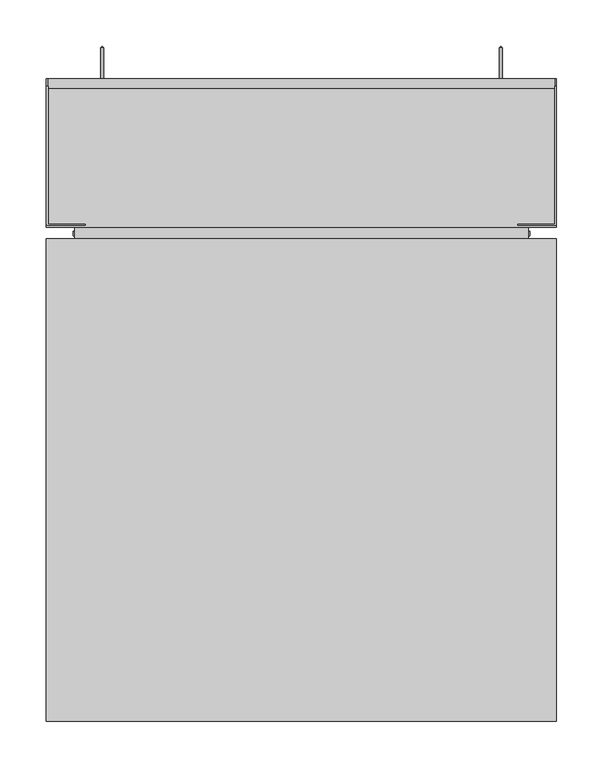
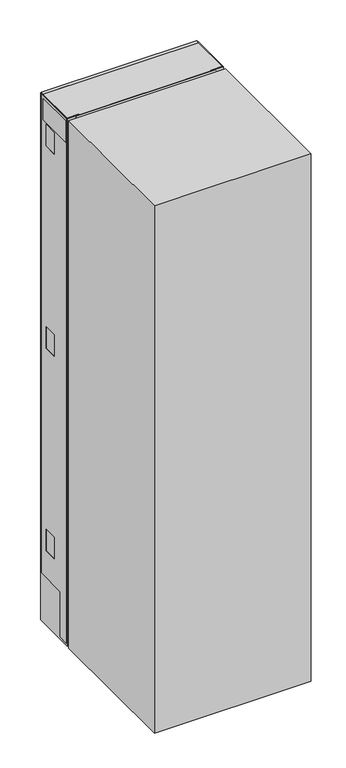
"""IFC4 building model written with IfcOpenShell, lengths in millimetres: proxy geometry."""

import ifcopenshell
import ifcopenshell.guid

model = None  # the IFC model being written
_history = None  # IfcOwnerHistory: only IFC2X3 demands one
_inside = {}  # id of a spatial element -> (the spatial element, [elements in it])
_under = {}  # id of a project, library or spatial element -> (it, [spatial elements below it])
_declared = {}  # id of a project -> (the project, [libraries it declares])
_typed = {}  # id of a type object -> (the type object, [elements of that type])
_made_of = {}  # id of a material, layer set ... -> (it, [elements and type objects made of it])


def new_model(schema):
    """Start an empty IFC model of exactly this schema.

    Asked for "IFC4X3", IfcOpenShell would pick the latest addendum, in which some entities
    have other attributes; the version numbers below select the first issue.
    IFC2X3 requires an IfcOwnerHistory on every rooted entity: one is made here for all.
    """
    global model, _history
    if schema == "IFC4X3":
        model = ifcopenshell.file(schema_version=(4, 3, 0, 0))
    else:
        model = ifcopenshell.file(schema=schema)
    _inside.clear()
    _under.clear()
    _declared.clear()
    _typed.clear()
    _made_of.clear()
    _history = None
    if model.schema == "IFC2X3":
        org = make("IfcOrganization", Name="unknown")
        user = make(
            "IfcPersonAndOrganization",
            ThePerson=make("IfcPerson", FamilyName="unknown"),
            TheOrganization=org,
        )
        app = make(
            "IfcApplication",
            ApplicationDeveloper=org,
            Version="unknown",
            ApplicationFullName="unknown",
            ApplicationIdentifier="unknown",
        )
        _history = make(
            "IfcOwnerHistory",
            OwningUser=user,
            OwningApplication=app,
            ChangeAction="ADDED",
            CreationDate=0,
        )
    return model


def make(cls, **values):
    """One entity of the class cls with the attributes given. An attribute that is None is left unset."""
    return model.create_entity(
        cls, **{name: value for name, value in values.items() if value is not None}
    )


def rooted(cls, **values):
    """An entity with a GlobalId (a new one), such as an element, a storey or a relation."""
    return make(cls, GlobalId=ifcopenshell.guid.new(), OwnerHistory=_history, **values)


def si_unit(unit_type, name, prefix=None):
    """IfcSIUnit, for example si_unit("LENGTHUNIT", "METRE", prefix="MILLI")."""
    return make("IfcSIUnit", UnitType=unit_type, Prefix=prefix, Name=name)


def assignment(units):
    """IfcUnitAssignment: the units of a project."""
    return None if units is None else make("IfcUnitAssignment", Units=units)


def point(xyz):
    """IfcCartesianPoint."""
    return None if xyz is None else make("IfcCartesianPoint", Coordinates=xyz)


def direction(xyz):
    """IfcDirection."""
    return None if xyz is None else make("IfcDirection", DirectionRatios=xyz)


def frame(location, z_axis=None, x_axis=None):
    """IfcAxis2Placement3D, a coordinate frame: its origin and axes. An axis left out is left unset."""
    return make(
        "IfcAxis2Placement3D",
        Location=point(location),
        Axis=direction(z_axis),
        RefDirection=direction(x_axis),
    )


def frame_2d(location, x_axis=None):
    """IfcAxis2Placement2D, a coordinate frame in the plane: its origin and x axis."""
    return make(
        "IfcAxis2Placement2D", Location=point(location), RefDirection=direction(x_axis)
    )


def origin():
    """The frame at (0, 0, 0) with its axes left unset."""
    return frame((0.0, 0.0, 0.0))


def origin_with_axes():
    """The frame at (0, 0, 0) with the z axis (0, 0, 1) and the x axis (1, 0, 0) written out."""
    return frame((0.0, 0.0, 0.0), z_axis=(0.0, 0.0, 1.0), x_axis=(1.0, 0.0, 0.0))


def place(relative_to, where):
    """IfcLocalPlacement: puts the frame where relative to a parent placement (None: the world)."""
    return make(
        "IfcLocalPlacement", PlacementRelTo=relative_to, RelativePlacement=where
    )


def context(
    kind, dimensions, precision=None, world=None, true_north=None, identifier=None
):
    """IfcGeometricRepresentationContext, for example the 3D "Model" context."""
    return make(
        "IfcGeometricRepresentationContext",
        ContextIdentifier=identifier,
        ContextType=kind,
        CoordinateSpaceDimension=dimensions,
        Precision=precision,
        WorldCoordinateSystem=world,
        TrueNorth=true_north,
    )


def project(units=None, contexts=None):
    """IfcProject with its units and contexts."""
    return rooted(
        "IfcProject",
        Name="project",
        RepresentationContexts=contexts,
        UnitsInContext=assignment(units),
    )


def spatial(cls, under=None, at=None, **own):
    """A site, building, storey or space (cls), placed at a placement, below another one or the project."""
    s = rooted(cls, ObjectPlacement=at, **own)
    if under is not None:
        _under.setdefault(under.id(), (under, []))[1].append(s)
    return s


def polyline(points):
    """IfcPolyline through the points."""
    return make("IfcPolyline", Points=[point(p) for p in points])


def circle_curve(where, radius):
    """IfcCircle in the frame where."""
    return make("IfcCircle", Position=where, Radius=radius)


def trimmed(basis, trim1, trim2, sense, master):
    """IfcTrimmedCurve: the piece of a basis curve between two trims."""
    return make(
        "IfcTrimmedCurve",
        BasisCurve=basis,
        Trim1=trim1,
        Trim2=trim2,
        SenseAgreement=sense,
        MasterRepresentation=master,
    )


def segment(curve, same_sense, transition):
    """IfcCompositeCurveSegment."""
    return make(
        "IfcCompositeCurveSegment",
        Transition=transition,
        SameSense=same_sense,
        ParentCurve=curve,
    )


def composite_curve(segments, self_intersect=None):
    """IfcCompositeCurve: segments joined end to end."""
    return make("IfcCompositeCurve", Segments=segments, SelfIntersect=self_intersect)


def outline(outer, holes=None, kind="AREA"):
    """IfcArbitraryClosedProfileDef: a profile drawn as a closed curve; with holes, ...WithVoids."""
    if holes is None:
        return make("IfcArbitraryClosedProfileDef", ProfileType=kind, OuterCurve=outer)
    return make(
        "IfcArbitraryProfileDefWithVoids",
        ProfileType=kind,
        OuterCurve=outer,
        InnerCurves=holes,
    )


def extrude(swept, where, along, depth):
    """IfcExtrudedAreaSolid: the profile swept, set in the frame where, extruded along a direction by depth."""
    return make(
        "IfcExtrudedAreaSolid",
        SweptArea=swept,
        Position=where,
        ExtrudedDirection=direction(along),
        Depth=depth,
    )


def faces_of(points, faces, orient=None, outer=None):
    """IfcFace entities. A face is a list of loops; a loop is a list of indices into points, from 0.

    orient and outer hold one flag for each loop. By default every Orientation is true, the
    first loop of a face is its IfcFaceOuterBound and the others are IfcFaceBound.
    """
    made = []
    for i, loops in enumerate(faces):
        bounds = []
        for j, loop in enumerate(loops):
            is_outer = j == 0 if outer is None else outer[i][j]
            bounds.append(
                make(
                    "IfcFaceOuterBound" if is_outer else "IfcFaceBound",
                    Bound=make("IfcPolyLoop", Polygon=[points[k] for k in loop]),
                    Orientation=True if orient is None else orient[i][j],
                )
            )
        made.append(make("IfcFace", Bounds=bounds))
    return made


def faceted_brep(points, faces, orient=None, outer=None, voids=None):
    """IfcFacetedBrep: a solid bounded by flat faces; with voids (closed shells), ...WithVoids."""
    shared = [point(p) for p in points]
    hull = make("IfcClosedShell", CfsFaces=faces_of(shared, faces, orient, outer))
    if voids is None:
        return make("IfcFacetedBrep", Outer=hull)
    return make(
        "IfcFacetedBrepWithVoids",
        Outer=hull,
        Voids=[
            make(cls, CfsFaces=faces_of(shared, fs, o, b)) for cls, fs, o, b in voids
        ],
    )


def shape(context_of_items, identifier, shape_type, items):
    """IfcShapeRepresentation: the items that make up one representation, for example the "Body"."""
    return make(
        "IfcShapeRepresentation",
        ContextOfItems=context_of_items,
        RepresentationIdentifier=identifier,
        RepresentationType=shape_type,
        Items=items,
    )


def source(mapping_origin, context_of_items, identifier, shape_type, items):
    """IfcRepresentationMap: a shape defined once, which mapped items show again and again."""
    return make(
        "IfcRepresentationMap",
        MappingOrigin=mapping_origin,
        MappedRepresentation=shape(context_of_items, identifier, shape_type, items),
    )


def transform(
    local_origin,
    x_axis=None,
    y_axis=None,
    z_axis=None,
    scale=None,
    scale2=None,
    scale3=None,
    uniform=True,
):
    """IfcCartesianTransformationOperator3D, or its non-uniform kind. x_axis, y_axis, z_axis: its Axis1, 2, 3."""
    if uniform:
        return make(
            "IfcCartesianTransformationOperator3D",
            Axis1=direction(x_axis),
            Axis2=direction(y_axis),
            LocalOrigin=point(local_origin),
            Scale=scale,
            Axis3=direction(z_axis),
        )
    return make(
        "IfcCartesianTransformationOperator3DnonUniform",
        Axis1=direction(x_axis),
        Axis2=direction(y_axis),
        LocalOrigin=point(local_origin),
        Scale=scale,
        Axis3=direction(z_axis),
        Scale2=scale2,
        Scale3=scale3,
    )


def mapped(mapping_source, mapping_target):
    """IfcMappedItem: shows the shape of a source again, moved by a transform."""
    return make(
        "IfcMappedItem", MappingSource=mapping_source, MappingTarget=mapping_target
    )


def made_of(thing, what):
    """Note that an element or type object is made of a material, layer set ...; save() writes the relation."""
    if what is not None:
        _made_of.setdefault(what.id(), (what, []))[1].append(thing)
    return thing


def element(
    cls,
    number,
    at=None,
    inside=None,
    cuts=None,
    type_object=None,
    material=None,
    context=None,
    identifier="Body",
    shape_type=None,
    held_by="IfcProductDefinitionShape",
    body=None,
    shapes=None,
    **own,
):
    """One element of the class cls, such as IfcWall. Its Tag is "e" and its number.

    at: its placement. inside: the storey or other place that contains it. cuts: it is an
    opening in that element (IfcRelVoidsElement). A single representation is given by context,
    identifier, shape_type and body (its items); several are given by shapes. held_by: the class
    of the entity that holds the representations. save() writes the other relations.
    """
    e = rooted(cls, Tag="e%d" % number, ObjectPlacement=at, **own)
    if body is not None:
        shapes = [shape(context, identifier, shape_type, body)]
    if shapes is not None:
        e.Representation = make(held_by, Representations=shapes)
    if inside is not None:
        _inside.setdefault(inside.id(), (inside, []))[1].append(e)
    if cuts is not None:
        rooted(
            "IfcRelVoidsElement", RelatingBuildingElement=cuts, RelatedOpeningElement=e
        )
    if type_object is not None:
        _typed.setdefault(type_object.id(), (type_object, []))[1].append(e)
    return made_of(e, material)


def aggregate(whole, parts):
    """IfcRelAggregates: a whole, such as a stair, and the parts it consists of."""
    return rooted("IfcRelAggregates", RelatingObject=whole, RelatedObjects=parts)


def save(model, path):
    """Write the relations noted so far, then the file.

    IfcRelAggregates (storeys below a building ...), IfcRelContainedInSpatialStructure (elements
    in a storey), IfcRelDefinesByType, IfcRelAssociatesMaterial and IfcRelDeclares: one each for
    every whole, place, type object, material and project.
    """
    for whole, parts in _under.values():
        aggregate(whole, parts)
    for where, things in _inside.values():
        rooted(
            "IfcRelContainedInSpatialStructure",
            RelatedElements=things,
            RelatingStructure=where,
        )
    for kind, things in _typed.values():
        rooted("IfcRelDefinesByType", RelatedObjects=things, RelatingType=kind)
    for what, things in _made_of.values():
        rooted("IfcRelAssociatesMaterial", RelatedObjects=things, RelatingMaterial=what)
    for by, libraries in _declared.values():
        rooted("IfcRelDeclares", RelatingContext=by, RelatedDefinitions=libraries)
    model.write(path)


def plane_surface(at):
    """IfcPlane: the flat surface through the origin of the frame at, square to its z axis."""
    return make("IfcPlane", Position=at)


def cylinder_surface(at, radius):
    """IfcCylindricalSurface: all points at the distance radius from the z axis of the frame at."""
    return make("IfcCylindricalSurface", Position=at, Radius=radius)


def revolved_surface(curve, axis_point, axis_direction):
    """IfcSurfaceOfRevolution: the curve turned about the line through axis_point along axis_direction."""
    return make(
        "IfcSurfaceOfRevolution",
        SweptCurve=make("IfcArbitraryOpenProfileDef", ProfileType="CURVE", Curve=curve),
        AxisPosition=make("IfcAxis1Placement", Location=point(axis_point), Axis=direction(axis_direction)),
    )


def advanced_brep(points, edges, surfaces, faces):
    """IfcAdvancedBrep: a solid bounded by faces that lie on surfaces and meet in shared edges.

    An edge is (start, end): straight between two places in points (the first is 0);
    or (start, end, curve); or (start, end, curve, False) where it runs against its curve.
    A face is (place in surfaces, loops), or (place, loops, False) where it looks against
    its surface's normal. A loop lists edges by number (the first is 1), with a minus sign
    where the edge is run from its end to its start. The first loop is the outer one.
    """
    corners = [point(p) for p in points]
    vertices = [make("IfcVertexPoint", VertexGeometry=c) for c in corners]
    made = []
    for start, end, *more in edges:
        made.append(
            make(
                "IfcEdgeCurve",
                EdgeStart=vertices[start],
                EdgeEnd=vertices[end],
                EdgeGeometry=more[0] if more else make("IfcPolyline", Points=[corners[start], corners[end]]),
                SameSense=more[1] if len(more) > 1 else True,
            )
        )
    hull = []
    for where, loops, *sense in faces:
        bounds = []
        for j, loop in enumerate(loops):
            ring = [make("IfcOrientedEdge", EdgeElement=made[abs(k) - 1], Orientation=k > 0) for k in loop]
            bounds.append(
                make(
                    "IfcFaceOuterBound" if j == 0 else "IfcFaceBound",
                    Bound=make("IfcEdgeLoop", EdgeList=ring),
                    Orientation=True,
                )
            )
        hull.append(make("IfcAdvancedFace", Bounds=bounds, FaceSurface=surfaces[where], SameSense=sense[0] if sense else True))
    return make("IfcAdvancedBrep", Outer=make("IfcClosedShell", CfsFaces=hull))


def specialty_equipment_afa6ea2d(model_context):
    return source(origin(), model_context, "Body", "SolidModel", [
        advanced_brep(
        [(213.5, 465.5, 400.4999976), (216.5, 465.5, 400.4999976), (216.5, 425.5, 400.4999976), (213.5, 425.5, 400.4999976), (215.0, 467.0, 400.4999976), (210.0, 422.0, 400.4999976), (220.0, 422.0, 400.4999976), (215.0, 422.0, 400.4999976)],
        [
            (0, 1, circle_curve(frame((215.0, 465.5, 400.4999976), z_axis=(0.0, -1.0, 0.0), x_axis=(1.0, 0.0, 0.0)), 1.5)),
            (1, 2),
            (2, 3, circle_curve(frame((215.0, 425.5, 400.4999976), z_axis=(0.0, 1.0, 0.0), x_axis=(1.0, 0.0, 0.0)), 1.5)),
            (3, 0),
            (1, 0, circle_curve(frame((215.0, 465.5, 400.4999976), z_axis=(0.0, -1.0, 0.0), x_axis=(1.0, 0.0, 0.0)), 1.5)),
            (3, 2, circle_curve(frame((215.0, 425.5, 400.4999976), z_axis=(0.0, 1.0, 0.0), x_axis=(1.0, 0.0, 0.0)), 1.5)),
            (4, 1),
            (0, 4),
            (5, 6, circle_curve(frame((215.0, 422.0, 400.4999976), z_axis=(0.0, -1.0, 0.0), x_axis=(1.0, 0.0, 0.0)), 5.0)),
            (6, 7),
            (7, 5),
            (6, 5, circle_curve(frame((215.0, 422.0, 400.4999976), z_axis=(0.0, -1.0, 0.0), x_axis=(1.0, 0.0, 0.0)), 5.0)),
            (2, 6),
            (5, 3),
        ],
        [
            cylinder_surface(frame((215.0, 422.0, 400.4999976), z_axis=(0.0, 1.0, 0.0), x_axis=(1.0, 0.0, 0.0)), 1.5),
            revolved_surface(polyline([(216.5, 465.5, 400.4999976), (215.0, 467.0, 400.4999976)]), (215.0, 422.0, 400.4999976), (0.0, 1.0, 0.0)),
            plane_surface(frame((215.0, 422.0, 400.4999976), z_axis=(0.0, -1.0, 0.0), x_axis=(1.0, 0.0, 0.0))),
            revolved_surface(polyline([(220.0, 422.0, 400.4999976), (216.5, 425.5, 400.4999976)]), (215.0, 422.0, 400.4999976), (0.0, 1.0, 0.0)),
        ],
        [
            (0, [[1, 2, 3, 4]]),
            (0, [[5, -4, 6, -2]]),
            (1, [[7, -1, 8]]),
            (1, [[-8, -5, -7]]),
            (2, [[9, 10, 11]]),
            (2, [[12, -11, -10]]),
            (3, [[-3, 13, -9, 14]]),
            (3, [[-6, -14, -12, -13]]),
        ],
    ),
        advanced_brep(
        [(-216.5, 465.5, 400.4999976), (-213.5, 465.5, 400.4999976), (-213.5, 425.5, 400.4999976), (-216.5, 425.5, 400.4999976), (-215.0, 467.0, 400.4999976), (-220.0, 422.0, 400.4999976), (-210.0, 422.0, 400.4999976), (-215.0, 422.0, 400.4999976)],
        [
            (0, 1, circle_curve(frame((-215.0, 465.5, 400.4999976), z_axis=(0.0, -1.0, 0.0), x_axis=(1.0, 0.0, 0.0)), 1.5)),
            (1, 2),
            (2, 3, circle_curve(frame((-215.0, 425.5, 400.4999976), z_axis=(0.0, 1.0, 0.0), x_axis=(1.0, 0.0, 0.0)), 1.5)),
            (3, 0),
            (1, 0, circle_curve(frame((-215.0, 465.5, 400.4999976), z_axis=(0.0, -1.0, 0.0), x_axis=(1.0, 0.0, 0.0)), 1.5)),
            (3, 2, circle_curve(frame((-215.0, 425.5, 400.4999976), z_axis=(0.0, 1.0, 0.0), x_axis=(1.0, 0.0, 0.0)), 1.5)),
            (4, 1),
            (0, 4),
            (5, 6, circle_curve(frame((-215.0, 422.0, 400.4999976), z_axis=(0.0, -1.0, 0.0), x_axis=(1.0, 0.0, 0.0)), 5.0)),
            (6, 7),
            (7, 5),
            (6, 5, circle_curve(frame((-215.0, 422.0, 400.4999976), z_axis=(0.0, -1.0, 0.0), x_axis=(1.0, 0.0, 0.0)), 5.0)),
            (2, 6),
            (5, 3),
        ],
        [
            cylinder_surface(frame((-215.0, 422.0, 400.4999976), z_axis=(0.0, 1.0, 0.0), x_axis=(1.0, 0.0, 0.0)), 1.5),
            revolved_surface(polyline([(-213.5, 465.5, 400.4999976), (-215.0, 467.0, 400.4999976)]), (-215.0, 422.0, 400.4999976), (0.0, 1.0, 0.0)),
            plane_surface(frame((-215.0, 422.0, 400.4999976), z_axis=(0.0, -1.0, 0.0), x_axis=(1.0, 0.0, 0.0))),
            revolved_surface(polyline([(-210.0, 422.0, 400.4999976), (-213.5, 425.5, 400.4999976)]), (-215.0, 422.0, 400.4999976), (0.0, 1.0, 0.0)),
        ],
        [
            (0, [[1, 2, 3, 4]]),
            (0, [[5, -4, 6, -2]]),
            (1, [[7, -1, 8]]),
            (1, [[-8, -5, -7]]),
            (2, [[9, 10, 11]]),
            (2, [[12, -11, -10]]),
            (3, [[-3, 13, -9, 14]]),
            (3, [[-6, -14, -12, -13]]),
        ],
    ),
        advanced_brep(
        [(213.5, 465.5, 1800.4999976), (216.5, 465.5, 1800.4999976), (216.5, 425.5, 1800.4999976), (213.5, 425.5, 1800.4999976), (215.0, 467.0, 1800.4999976), (210.0, 422.0, 1800.4999976), (220.0, 422.0, 1800.4999976), (215.0, 422.0, 1800.4999976)],
        [
            (0, 1, circle_curve(frame((215.0, 465.5, 1800.4999976), z_axis=(0.0, -1.0, 0.0), x_axis=(1.0, 0.0, 0.0)), 1.5)),
            (1, 2),
            (2, 3, circle_curve(frame((215.0, 425.5, 1800.4999976), z_axis=(0.0, 1.0, 0.0), x_axis=(1.0, 0.0, 0.0)), 1.5)),
            (3, 0),
            (1, 0, circle_curve(frame((215.0, 465.5, 1800.4999976), z_axis=(0.0, -1.0, 0.0), x_axis=(1.0, 0.0, 0.0)), 1.5)),
            (3, 2, circle_curve(frame((215.0, 425.5, 1800.4999976), z_axis=(0.0, 1.0, 0.0), x_axis=(1.0, 0.0, 0.0)), 1.5)),
            (4, 1),
            (0, 4),
            (5, 6, circle_curve(frame((215.0, 422.0, 1800.4999976), z_axis=(0.0, -1.0, 0.0), x_axis=(1.0, 0.0, 0.0)), 5.0)),
            (6, 7),
            (7, 5),
            (6, 5, circle_curve(frame((215.0, 422.0, 1800.4999976), z_axis=(0.0, -1.0, 0.0), x_axis=(1.0, 0.0, 0.0)), 5.0)),
            (2, 6),
            (5, 3),
        ],
        [
            cylinder_surface(frame((215.0, 422.0, 1800.4999976), z_axis=(0.0, 1.0, 0.0), x_axis=(1.0, 0.0, 0.0)), 1.5),
            revolved_surface(polyline([(216.5, 465.5, 1800.4999976), (215.0, 467.0, 1800.4999976)]), (215.0, 422.0, 1800.4999976), (0.0, 1.0, 0.0)),
            plane_surface(frame((215.0, 422.0, 1800.4999976), z_axis=(0.0, -1.0, 0.0), x_axis=(1.0, 0.0, 0.0))),
            revolved_surface(polyline([(220.0, 422.0, 1800.4999976), (216.5, 425.5, 1800.4999976)]), (215.0, 422.0, 1800.4999976), (0.0, 1.0, 0.0)),
        ],
        [
            (0, [[1, 2, 3, 4]]),
            (0, [[5, -4, 6, -2]]),
            (1, [[7, -1, 8]]),
            (1, [[-8, -5, -7]]),
            (2, [[9, 10, 11]]),
            (2, [[12, -11, -10]]),
            (3, [[-3, 13, -9, 14]]),
            (3, [[-6, -14, -12, -13]]),
        ],
    ),
        advanced_brep(
        [(-216.5, 465.5, 1800.4999976), (-213.5, 465.5, 1800.4999976), (-213.5, 425.5, 1800.4999976), (-216.5, 425.5, 1800.4999976), (-215.0, 467.0, 1800.4999976), (-220.0, 422.0, 1800.4999976), (-210.0, 422.0, 1800.4999976), (-215.0, 422.0, 1800.4999976)],
        [
            (0, 1, circle_curve(frame((-215.0, 465.5, 1800.4999976), z_axis=(0.0, -1.0, 0.0), x_axis=(1.0, 0.0, 0.0)), 1.5)),
            (1, 2),
            (2, 3, circle_curve(frame((-215.0, 425.5, 1800.4999976), z_axis=(0.0, 1.0, 0.0), x_axis=(1.0, 0.0, 0.0)), 1.5)),
            (3, 0),
            (1, 0, circle_curve(frame((-215.0, 465.5, 1800.4999976), z_axis=(0.0, -1.0, 0.0), x_axis=(1.0, 0.0, 0.0)), 1.5)),
            (3, 2, circle_curve(frame((-215.0, 425.5, 1800.4999976), z_axis=(0.0, 1.0, 0.0), x_axis=(1.0, 0.0, 0.0)), 1.5)),
            (4, 1),
            (0, 4),
            (5, 6, circle_curve(frame((-215.0, 422.0, 1800.4999976), z_axis=(0.0, -1.0, 0.0), x_axis=(1.0, 0.0, 0.0)), 5.0)),
            (6, 7),
            (7, 5),
            (6, 5, circle_curve(frame((-215.0, 422.0, 1800.4999976), z_axis=(0.0, -1.0, 0.0), x_axis=(1.0, 0.0, 0.0)), 5.0)),
            (2, 6),
            (5, 3),
        ],
        [
            cylinder_surface(frame((-215.0, 422.0, 1800.4999976), z_axis=(0.0, 1.0, 0.0), x_axis=(1.0, 0.0, 0.0)), 1.5),
            revolved_surface(polyline([(-213.5, 465.5, 1800.4999976), (-215.0, 467.0, 1800.4999976)]), (-215.0, 422.0, 1800.4999976), (0.0, 1.0, 0.0)),
            plane_surface(frame((-215.0, 422.0, 1800.4999976), z_axis=(0.0, -1.0, 0.0), x_axis=(1.0, 0.0, 0.0))),
            revolved_surface(polyline([(-210.0, 422.0, 1800.4999976), (-213.5, 425.5, 1800.4999976)]), (-215.0, 422.0, 1800.4999976), (0.0, 1.0, 0.0)),
        ],
        [
            (0, [[1, 2, 3, 4]]),
            (0, [[5, -4, 6, -2]]),
            (1, [[7, -1, 8]]),
            (1, [[-8, -5, -7]]),
            (2, [[9, 10, 11]]),
            (2, [[12, -11, -10]]),
            (3, [[-3, 13, -9, 14]]),
            (3, [[-6, -14, -12, -13]]),
        ],
    ),
        faceted_brep([(-208.5, 402.0, 1576.8855882), (-208.5, 402.0, 1524.8505872), (-200.5, 402.0, 1524.8505872), (-200.5, 402.0, 1576.8855882), (-98.5, 402.0, 1524.8505872), (-98.5, 402.0, 1576.8855882), (-108.5, 402.0, 1576.8855882), (-108.5, 402.0, 1524.8505872), (-140.5, 402.0, 1576.8855882), (-140.5, 402.0, 1524.8505872), (-132.5, 402.0, 1524.8505872), (-132.5, 402.0, 1576.8855882), (-98.5, 417.0, 1576.8855882), (-98.5, 417.0, 1524.8505872), (-108.5, 417.0, 1524.8505872), (-108.5, 417.0, 1522.0000523), (-132.5, 417.0, 1522.0000523), (-132.5, 417.0, 1524.8505872), (-140.5, 417.0, 1524.8505872), (-140.5, 417.0, 1522.899992), (-200.5, 417.0, 1522.899992), (-200.5, 417.0, 1524.8505872), (-208.5, 417.0, 1524.8505872), (-208.5, 417.0, 1576.8855882), (-200.5, 417.0, 1576.8855882), (-200.5, 417.0, 1580.4000062), (-140.5, 417.0, 1580.4000062), (-140.5, 417.0, 1576.8855882), (-132.5, 382.0, 1576.8855882), (-108.5, 382.0, 1576.8855882), (-140.5, 382.0, 1580.4000062), (-200.5, 382.0, 1580.4000062), (-200.5, 382.0, 1522.899992), (-140.5, 382.0, 1522.899992), (-132.5, 382.0, 1522.0000523), (-108.5, 382.0, 1522.0000523)], [[[0, 1, 2, 3]], [[4, 5, 6, 7]], [[8, 9, 10, 11]], [[12, 13, 14, 15, 16, 17, 18, 19, 20, 21, 22, 23, 24, 25, 26, 27]], [[5, 12, 27, 8, 11, 28, 29, 6]], [[23, 0, 3, 24]], [[1, 0, 23, 22]], [[1, 22, 21, 2]], [[9, 18, 17, 10]], [[13, 4, 7, 14]], [[5, 4, 13, 12]], [[30, 31, 32, 33]], [[31, 30, 26, 25]], [[32, 31, 25, 24, 3, 2, 21, 20]], [[33, 32, 20, 19]], [[30, 33, 19, 18, 9, 8, 27, 26]], [[29, 28, 34, 35]], [[34, 28, 11, 10, 17, 16]], [[35, 34, 16, 15]], [[29, 35, 15, 14, 7, 6]]]),
        extrude(outline(polyline([(-61.5, 417.0), (-238.5, 417.0), (-238.5, 422.0), (-61.5, 422.0), (-61.5, 417.0)])), frame((0.0, 0.0, 1529.0), z_axis=(0.0, 0.0, 1.0), x_axis=(1.0, 0.0, 0.0)), (0.0, 0.0, 1.0), 35.0),
        extrude(outline(polyline([(273.25, 275.5), (-273.25, 275.5), (-273.25, 427.0), (273.25, 427.0), (273.25, 275.5)])), frame((0.0, 0.0, 1947.2), z_axis=(0.0, 0.0, 1.0), x_axis=(1.0, 0.0, 0.0)), (0.0, 0.0, 1.0), 4.8),
        advanced_brep(
        [(275.0, 314.25, 176.3), (275.0, 424.25, 180.3646651), (275.0, 424.25, 1955.3), (275.0, 276.0, 1955.3), (275.0, 276.0, 8.25), (275.0, 314.25, 8.25), (275.0, 348.6, 357.8), (275.0, 397.5, 357.8), (275.0, 397.5, 277.6), (275.0, 348.6, 277.6), (275.0, 397.5, 1027.6), (275.0, 348.6, 1027.6), (275.0, 348.6, 1107.8), (275.0, 397.5, 1107.8), (275.0, 399.0, 1777.6), (275.0, 348.6, 1777.6), (275.0, 348.6, 1857.8), (275.0, 399.0, 1857.8), (275.0, 281.0, 1941.55), (275.0, 417.5, 1941.55), (275.0, 417.5, 1862.55), (275.0, 281.0, 1862.55), (273.25, 314.25, 176.3), (273.25, 314.25, 8.25), (273.25, 276.0, 8.25), (273.25, 276.0, 1955.3), (273.25, 424.25, 1955.3), (273.25, 424.25, 180.3646651), (273.25, 348.6, 357.8), (273.25, 348.6, 277.6), (273.25, 397.5, 277.6), (273.25, 397.5, 357.8), (273.25, 397.5, 1027.6), (273.25, 397.5, 1107.8), (273.25, 348.6, 1107.8), (273.25, 348.6, 1027.6), (273.25, 399.0, 1777.6), (273.25, 399.0, 1857.8), (273.25, 348.6, 1857.8), (273.25, 348.6, 1777.6), (273.25, 281.0, 1941.55), (273.25, 281.0, 1862.55), (273.25, 417.5, 1862.55), (273.25, 417.5, 1941.55), (273.8139807, 276.0, 1955.3), (273.8139807, 275.5, 1955.3), (233.05, 275.5, 1955.3), (233.05, 274.25, 1955.3), (273.25, 274.25, 1955.3), (273.8139807, 276.0, 8.25), (273.25, 274.25, 8.25), (233.05, 274.25, 8.25), (233.05, 275.5, 8.25), (273.8139807, 275.5, 8.25)],
        [
            (0, 1),
            (1, 2),
            (2, 3),
            (3, 4),
            (4, 5),
            (5, 0),
            (6, 7),
            (7, 8),
            (8, 9),
            (9, 6),
            (10, 11),
            (11, 12),
            (12, 13),
            (13, 10),
            (14, 15),
            (15, 16),
            (16, 17),
            (17, 14),
            (18, 19),
            (19, 20),
            (20, 21),
            (21, 18),
            (22, 23),
            (23, 24),
            (24, 25),
            (25, 26),
            (26, 27),
            (27, 22),
            (28, 29),
            (29, 30),
            (30, 31),
            (31, 28),
            (32, 33),
            (33, 34),
            (34, 35),
            (35, 32),
            (36, 37),
            (37, 38),
            (38, 39),
            (39, 36),
            (40, 41),
            (41, 42),
            (42, 43),
            (43, 40),
            (0, 22),
            (27, 1),
            (26, 2),
            (25, 44),
            (44, 45),
            (45, 46),
            (46, 47),
            (47, 48),
            (48, 3, circle_curve(frame((273.25, 276.0, 1955.3), z_axis=(0.0, 0.0, 1.0), x_axis=(-1.0, 0.0, 0.0)), 1.75)),
            (24, 49),
            (49, 44),
            (23, 5),
            (4, 50, circle_curve(frame((273.25, 276.0, 8.25), z_axis=(0.0, 0.0, -1.0), x_axis=(-1.0, 0.0, 0.0)), 1.75)),
            (50, 51),
            (51, 52),
            (52, 53),
            (53, 49),
            (6, 28),
            (31, 7),
            (30, 8),
            (29, 9),
            (10, 32),
            (35, 11),
            (34, 12),
            (33, 13),
            (14, 36),
            (39, 15),
            (38, 16),
            (37, 17),
            (18, 40),
            (43, 19),
            (42, 20),
            (41, 21),
            (47, 51),
            (50, 48),
            (53, 45),
            (52, 46),
        ],
        [
            plane_surface(frame((275.0, 422.5, 180.3), z_axis=(1.0, 0.0, 0.0), x_axis=(0.0, 0.9993179916193466, 0.03692629992126892))),
            plane_surface(frame((273.25, 422.5, 180.3), z_axis=(-1.0, 0.0, 0.0), x_axis=(0.0, -0.9993179916193466, -0.03692629992126892))),
            plane_surface(frame((275.0, 314.25, 176.3), z_axis=(0.0, 0.03692629992126892, -0.9993179916193466), x_axis=(-1.0, 0.0, 0.0))),
            plane_surface(frame((275.0, 424.25, 180.3646651), z_axis=(0.0, 1.0, 0.0), x_axis=(-1.0, 0.0, 0.0))),
            plane_surface(frame((275.0, 424.25, 1955.3), z_axis=(0.0, 0.0, 1.0), x_axis=(-1.0, 0.0, 0.0))),
            plane_surface(frame((275.0, 276.0, 1955.3), z_axis=(0.0, -1.0, 0.0), x_axis=(-1.0, 0.0, 0.0))),
            plane_surface(frame((275.0, 276.0, 8.25), z_axis=(0.0, 0.0, -1.0), x_axis=(-1.0, 0.0, 0.0))),
            plane_surface(frame((275.0, 314.25, 8.25), z_axis=(0.0, 1.0, 0.0), x_axis=(-1.0, 0.0, 0.0))),
            plane_surface(frame((275.0, 348.6, 357.8), z_axis=(0.0, 0.0, -1.0), x_axis=(-1.0, 0.0, 0.0))),
            plane_surface(frame((275.0, 397.5, 357.8), z_axis=(0.0, -1.0, 0.0), x_axis=(-1.0, 0.0, 0.0))),
            plane_surface(frame((275.0, 397.5, 277.6), z_axis=(0.0, 0.0, 1.0), x_axis=(-1.0, 0.0, 0.0))),
            plane_surface(frame((275.0, 348.6, 277.6), z_axis=(0.0, 1.0, 0.0), x_axis=(-1.0, 0.0, 0.0))),
            plane_surface(frame((275.0, 397.5, 1027.6), z_axis=(0.0, 0.0, 1.0), x_axis=(-1.0, 0.0, 0.0))),
            plane_surface(frame((275.0, 348.6, 1027.6), z_axis=(0.0, 1.0, 0.0), x_axis=(-1.0, 0.0, 0.0))),
            plane_surface(frame((275.0, 348.6, 1107.8), z_axis=(0.0, 0.0, -1.0), x_axis=(-1.0, 0.0, 0.0))),
            plane_surface(frame((275.0, 397.5, 1107.8), z_axis=(0.0, -1.0, 0.0), x_axis=(-1.0, 0.0, 0.0))),
            plane_surface(frame((275.0, 399.0, 1777.6), z_axis=(0.0, 0.0, 1.0), x_axis=(-1.0, 0.0, 0.0))),
            plane_surface(frame((275.0, 348.6, 1777.6), z_axis=(0.0, 1.0, 0.0), x_axis=(-1.0, 0.0, 0.0))),
            plane_surface(frame((275.0, 348.6, 1857.8), z_axis=(0.0, 0.0, -1.0), x_axis=(-1.0, 0.0, 0.0))),
            plane_surface(frame((275.0, 399.0, 1857.8), z_axis=(0.0, -1.0, 0.0), x_axis=(-1.0, 0.0, 0.0))),
            plane_surface(frame((275.0, 281.0, 1941.55), z_axis=(0.0, 0.0, -1.0), x_axis=(-1.0, 0.0, 0.0))),
            plane_surface(frame((275.0, 417.5, 1941.55), z_axis=(0.0, -1.0, 0.0), x_axis=(-1.0, 0.0, 0.0))),
            plane_surface(frame((275.0, 417.5, 1862.55), z_axis=(0.0, 0.0, 1.0), x_axis=(-1.0, 0.0, 0.0))),
            plane_surface(frame((275.0, 281.0, 1862.55), z_axis=(0.0, 1.0, 0.0), x_axis=(-1.0, 0.0, 0.0))),
            plane_surface(frame((233.05, 274.25, 1955.3), z_axis=(0.0, -1.0, 0.0), x_axis=(0.0, 0.0, -1.0))),
            cylinder_surface(frame((273.25, 276.0, 0.0), z_axis=(0.0, 0.0, 1.0), x_axis=(-1.0, 0.0, 0.0)), 1.75),
            plane_surface(frame((273.8139807, 277.6566309, 1955.3), z_axis=(-1.0, 0.0, 0.0), x_axis=(0.0, 0.0, -1.0))),
            plane_surface(frame((273.8139807, 275.5, 1955.3), z_axis=(0.0, 1.0, 0.0), x_axis=(0.0, 0.0, -1.0))),
            plane_surface(frame((233.05, 275.5, 1955.3), z_axis=(-1.0, 0.0, 0.0), x_axis=(0.0, 0.0, -1.0))),
        ],
        [
            (0, [[1, 2, 3, 4, 5, 6], [7, 8, 9, 10], [11, 12, 13, 14], [15, 16, 17, 18], [19, 20, 21, 22]]),
            (1, [[23, 24, 25, 26, 27, 28], [29, 30, 31, 32], [33, 34, 35, 36], [37, 38, 39, 40], [41, 42, 43, 44]]),
            (2, [[-1, 45, -28, 46]]),
            (3, [[-2, -46, -27, 47]]),
            (4, [[-26, 48, 49, 50, 51, 52, 53, -3, -47]]),
            (5, [[-25, 54, 55, -48]]),
            (6, [[-24, 56, -5, 57, 58, 59, 60, 61, -54]]),
            (7, [[-6, -56, -23, -45]]),
            (8, [[-7, 62, -32, 63]]),
            (9, [[-8, -63, -31, 64]]),
            (10, [[-9, -64, -30, 65]]),
            (11, [[-10, -65, -29, -62]]),
            (12, [[-11, 66, -36, 67]]),
            (13, [[-12, -67, -35, 68]]),
            (14, [[-13, -68, -34, 69]]),
            (15, [[-14, -69, -33, -66]]),
            (16, [[-15, 70, -40, 71]]),
            (17, [[-16, -71, -39, 72]]),
            (18, [[-17, -72, -38, 73]]),
            (19, [[-18, -73, -37, -70]]),
            (20, [[-19, 74, -44, 75]]),
            (21, [[-20, -75, -43, 76]]),
            (22, [[-21, -76, -42, 77]]),
            (23, [[-22, -77, -41, -74]]),
            (24, [[-52, 78, -58, 79]]),
            (25, [[-53, -79, -57, -4]]),
            (26, [[80, -49, -55, -61]]),
            (27, [[-50, -80, -60, 81]]),
            (28, [[-51, -81, -59, -78]]),
        ],
    ),
        advanced_brep(
        [(-233.05, 274.25, 1955.3), (-233.05, 275.5, 1955.3), (-273.8139807, 275.5, 1955.3), (-273.8139807, 276.0, 1955.3), (-273.25, 276.0, 1955.3), (-273.25, 424.25, 1955.3), (-275.0, 424.25, 1955.3), (-275.0, 276.0, 1955.3), (-273.25, 274.25, 1955.3), (-233.05, 274.25, 8.25), (-273.25, 274.25, 8.25), (-275.0, 276.0, 8.25), (-275.0, 314.25, 8.25), (-273.25, 314.25, 8.25), (-273.25, 276.0, 8.25), (-273.8139807, 276.0, 8.25), (-273.8139807, 275.5, 8.25), (-233.05, 275.5, 8.25), (-275.0, 424.25, 180.3646651), (-275.0, 314.25, 176.3), (-275.0, 348.6, 357.8), (-275.0, 348.6, 277.6), (-275.0, 397.5, 277.6), (-275.0, 397.5, 357.8), (-275.0, 397.5, 1027.6), (-275.0, 397.5, 1107.8), (-275.0, 348.6, 1107.8), (-275.0, 348.6, 1027.6), (-275.0, 399.0, 1777.6), (-275.0, 399.0, 1857.8), (-275.0, 348.6, 1857.8), (-275.0, 348.6, 1777.6), (-275.0, 281.0, 1941.55), (-275.0, 281.0, 1862.55), (-275.0, 417.5, 1862.55), (-275.0, 417.5, 1941.55), (-273.25, 314.25, 176.3), (-273.25, 424.25, 180.3646651), (-273.25, 348.6, 357.8), (-273.25, 397.5, 357.8), (-273.25, 397.5, 277.6), (-273.25, 348.6, 277.6), (-273.25, 397.5, 1027.6), (-273.25, 348.6, 1027.6), (-273.25, 348.6, 1107.8), (-273.25, 397.5, 1107.8), (-273.25, 399.0, 1777.6), (-273.25, 348.6, 1777.6), (-273.25, 348.6, 1857.8), (-273.25, 399.0, 1857.8), (-273.25, 281.0, 1941.55), (-273.25, 417.5, 1941.55), (-273.25, 417.5, 1862.55), (-273.25, 281.0, 1862.55)],
        [
            (0, 1),
            (1, 2),
            (2, 3),
            (3, 4),
            (4, 5),
            (5, 6),
            (6, 7),
            (7, 8, circle_curve(frame((-273.25, 276.0, 1955.3), z_axis=(0.0, 0.0, 1.0), x_axis=(1.0, 0.0, 0.0)), 1.75)),
            (8, 0),
            (9, 10),
            (10, 11, circle_curve(frame((-273.25, 276.0, 8.25), z_axis=(0.0, 0.0, -1.0), x_axis=(1.0, 0.0, 0.0)), 1.75)),
            (11, 12),
            (12, 13),
            (13, 14),
            (14, 15),
            (15, 16),
            (16, 17),
            (17, 9),
            (0, 9),
            (17, 1),
            (16, 2),
            (15, 3),
            (6, 18),
            (18, 19),
            (19, 12),
            (11, 7),
            (20, 21),
            (21, 22),
            (22, 23),
            (23, 20),
            (24, 25),
            (25, 26),
            (26, 27),
            (27, 24),
            (28, 29),
            (29, 30),
            (30, 31),
            (31, 28),
            (32, 33),
            (33, 34),
            (34, 35),
            (35, 32),
            (10, 8),
            (36, 37),
            (37, 5),
            (4, 14),
            (13, 36),
            (38, 39),
            (39, 40),
            (40, 41),
            (41, 38),
            (42, 43),
            (43, 44),
            (44, 45),
            (45, 42),
            (46, 47),
            (47, 48),
            (48, 49),
            (49, 46),
            (50, 51),
            (51, 52),
            (52, 53),
            (53, 50),
            (18, 37),
            (36, 19),
            (23, 39),
            (38, 20),
            (22, 40),
            (21, 41),
            (27, 43),
            (42, 24),
            (26, 44),
            (25, 45),
            (31, 47),
            (46, 28),
            (30, 48),
            (29, 49),
            (35, 51),
            (50, 32),
            (34, 52),
            (33, 53),
        ],
        [
            plane_surface(frame((275.0, 424.25, 1955.3), z_axis=(0.0, 0.0, 1.0), x_axis=(-1.0, 0.0, 0.0))),
            plane_surface(frame((275.0, 276.0, 8.25), z_axis=(0.0, 0.0, -1.0), x_axis=(-1.0, 0.0, 0.0))),
            plane_surface(frame((-233.05, 274.25, 1955.3), z_axis=(1.0, 0.0, 0.0), x_axis=(0.0, 0.0, -1.0))),
            plane_surface(frame((-233.05, 275.5, 1955.3), z_axis=(0.0, 1.0, 0.0), x_axis=(0.0, 0.0, -1.0))),
            plane_surface(frame((-273.8139807, 275.5, 1955.3), z_axis=(1.0, 0.0, 0.0), x_axis=(0.0, 0.0, -1.0))),
            plane_surface(frame((-275.0, 277.6566309, 1955.3), z_axis=(-1.0, -2.5941982806943435e-12, 0.0), x_axis=(0.0, 0.0, -1.0))),
            cylinder_surface(frame((-273.25, 276.0, 8.25), z_axis=(0.0, 0.0, 1.0), x_axis=(1.0, 0.0, 0.0)), 1.75),
            plane_surface(frame((-273.25, 274.25, 1955.3), z_axis=(0.0, -1.0, 0.0), x_axis=(0.0, 0.0, -1.0))),
            plane_surface(frame((-273.25, 314.25, 176.3), z_axis=(1.0, 0.0, 0.0), x_axis=(0.0, 0.0, 1.0))),
            plane_surface(frame((-275.0, 424.25, 180.3646651), z_axis=(0.0, 0.03692629992126892, -0.9993179916193466), x_axis=(1.0, 0.0, 0.0))),
            plane_surface(frame((-275.0, 424.25, 1955.3), z_axis=(0.0, 1.0, 0.0), x_axis=(1.0, 0.0, 0.0))),
            plane_surface(frame((-275.0, 276.0, 8.25), z_axis=(0.0, -1.0, 0.0), x_axis=(1.0, 0.0, 0.0))),
            plane_surface(frame((-275.0, 314.25, 176.3), z_axis=(0.0, 1.0, 0.0), x_axis=(1.0, 0.0, 0.0))),
            plane_surface(frame((-275.0, 397.5, 357.8), z_axis=(0.0, 0.0, -1.0), x_axis=(1.0, 0.0, 0.0))),
            plane_surface(frame((-275.0, 397.5, 277.6), z_axis=(0.0, -1.0, 0.0), x_axis=(1.0, 0.0, 0.0))),
            plane_surface(frame((-275.0, 348.6, 277.6), z_axis=(0.0, 0.0, 1.0), x_axis=(1.0, 0.0, 0.0))),
            plane_surface(frame((-275.0, 348.6, 357.8), z_axis=(0.0, 1.0, 0.0), x_axis=(1.0, 0.0, 0.0))),
            plane_surface(frame((-275.0, 348.6, 1027.6), z_axis=(0.0, 0.0, 1.0), x_axis=(1.0, 0.0, 0.0))),
            plane_surface(frame((-275.0, 348.6, 1107.8), z_axis=(0.0, 1.0, 0.0), x_axis=(1.0, 0.0, 0.0))),
            plane_surface(frame((-275.0, 397.5, 1107.8), z_axis=(0.0, 0.0, -1.0), x_axis=(1.0, 0.0, 0.0))),
            plane_surface(frame((-275.0, 397.5, 1027.6), z_axis=(0.0, -1.0, 0.0), x_axis=(1.0, 0.0, 0.0))),
            plane_surface(frame((-275.0, 348.6, 1777.6), z_axis=(0.0, 0.0, 1.0), x_axis=(1.0, 0.0, 0.0))),
            plane_surface(frame((-275.0, 348.6, 1857.8), z_axis=(0.0, 1.0, 0.0), x_axis=(1.0, 0.0, 0.0))),
            plane_surface(frame((-275.0, 399.0, 1857.8), z_axis=(0.0, 0.0, -1.0), x_axis=(1.0, 0.0, 0.0))),
            plane_surface(frame((-275.0, 399.0, 1777.6), z_axis=(0.0, -1.0, 0.0), x_axis=(1.0, 0.0, 0.0))),
            plane_surface(frame((-275.0, 417.5, 1941.55), z_axis=(0.0, 0.0, -1.0), x_axis=(1.0, 0.0, 0.0))),
            plane_surface(frame((-275.0, 417.5, 1862.55), z_axis=(0.0, -1.0, 0.0), x_axis=(1.0, 0.0, 0.0))),
            plane_surface(frame((-275.0, 281.0, 1862.55), z_axis=(0.0, 0.0, 1.0), x_axis=(1.0, 0.0, 0.0))),
            plane_surface(frame((-275.0, 281.0, 1941.55), z_axis=(0.0, 1.0, 0.0), x_axis=(1.0, 0.0, 0.0))),
        ],
        [
            (0, [[1, 2, 3, 4, 5, 6, 7, 8, 9]]),
            (1, [[10, 11, 12, 13, 14, 15, 16, 17, 18]]),
            (2, [[-1, 19, -18, 20]]),
            (3, [[-2, -20, -17, 21]]),
            (4, [[-21, -16, 22, -3]]),
            (5, [[-7, 23, 24, 25, -12, 26], [27, 28, 29, 30], [31, 32, 33, 34], [35, 36, 37, 38], [39, 40, 41, 42]]),
            (6, [[-8, -26, -11, 43]]),
            (7, [[-9, -43, -10, -19]]),
            (8, [[44, 45, -5, 46, -14, 47], [48, 49, 50, 51], [52, 53, 54, 55], [56, 57, 58, 59], [60, 61, 62, 63]]),
            (9, [[-24, 64, -44, 65]]),
            (10, [[-23, -6, -45, -64]]),
            (11, [[-46, -4, -22, -15]]),
            (12, [[-25, -65, -47, -13]]),
            (13, [[-30, 66, -48, 67]]),
            (14, [[-29, 68, -49, -66]]),
            (15, [[-28, 69, -50, -68]]),
            (16, [[-27, -67, -51, -69]]),
            (17, [[-34, 70, -52, 71]]),
            (18, [[-33, 72, -53, -70]]),
            (19, [[-32, 73, -54, -72]]),
            (20, [[-31, -71, -55, -73]]),
            (21, [[-38, 74, -56, 75]]),
            (22, [[-37, 76, -57, -74]]),
            (23, [[-36, 77, -58, -76]]),
            (24, [[-35, -75, -59, -77]]),
            (25, [[-42, 78, -60, 79]]),
            (26, [[-41, 80, -61, -78]]),
            (27, [[-40, 81, -62, -80]]),
            (28, [[-39, -79, -63, -81]]),
        ],
    ),
        extrude(outline(composite_curve([segment(polyline([(-244.55, 274.25), (-243.3, 274.25), (-243.3, 263.5)]), True, "CONTINUOUS"), segment(trimmed(circle_curve(frame_2d((-244.65, 263.5)), 1.35), [point((-243.3, 263.5))], [point((-246.0, 263.5))], False, "CARTESIAN"), True, "CONTINUOUS"), segment(polyline([(-246.0, 263.5), (-246.0, 268.15), (-244.55, 268.15), (-244.55, 274.25)]), True, "CONTINUOUS")], self_intersect=False)), frame((0.0, 0.0, 127.5), z_axis=(0.0, 0.0, 1.0), x_axis=(1.0, 0.0, 0.0)), (0.0, 0.0, 1.0), 1757.35),
        extrude(outline(composite_curve([segment(polyline([(244.55, 274.25), (244.55, 268.15), (246.0, 268.15), (246.0, 263.5)]), True, "CONTINUOUS"), segment(trimmed(circle_curve(frame_2d((244.65, 263.5)), 1.35), [point((246.0, 263.5))], [point((243.3, 263.5))], False, "CARTESIAN"), True, "CONTINUOUS"), segment(polyline([(243.3, 263.5), (243.3, 274.25), (244.55, 274.25)]), True, "CONTINUOUS")], self_intersect=False)), frame((0.0, 0.0, 127.5), z_axis=(0.0, 0.0, 1.0), x_axis=(1.0, 0.0, 0.0)), (0.0, 0.0, 1.0), 1757.35),
        extrude(outline(polyline([(1954.9999976, 273.25), (1954.9999976, -273.25), (180.2999976, -273.25), (180.2999976, 273.25), (1954.9999976, 273.25)]), holes=[composite_curve([segment(polyline([(1763.4999976, -176.35), (1909.7499976, -176.35), (1909.7499976, 176.35), (1763.4999976, 176.35)]), True, "CONTINUOUS"), segment(trimmed(circle_curve(frame_2d((1763.4999976, 126.35)), 50.0), [point((1763.4999976, 176.35))], [point((1713.4999976, 126.35))], True, "CARTESIAN"), True, "CONTINUOUS"), segment(polyline([(1713.4999976, 126.35), (1713.4999976, 95.0)]), True, "CONTINUOUS"), segment(trimmed(circle_curve(frame_2d((1763.4999976, 95.0)), 50.0), [point((1713.4999976, 95.0))], [point((1763.4999976, 45.0))], True, "CARTESIAN"), True, "CONTINUOUS"), segment(polyline([(1763.4999976, 45.0), (1838.4999976, 45.0)]), True, "CONTINUOUS"), segment(trimmed(circle_curve(frame_2d((1838.4999976, 0.0)), 45.0), [point((1838.4999976, 45.0))], [point((1838.4999976, -45.0))], False, "CARTESIAN"), True, "CONTINUOUS"), segment(polyline([(1838.4999976, -45.0), (1763.4999976, -45.0)]), True, "CONTINUOUS"), segment(trimmed(circle_curve(frame_2d((1763.4999976, -95.0)), 50.0), [point((1763.4999976, -45.0))], [point((1713.4999976, -95.0))], True, "CARTESIAN"), True, "CONTINUOUS"), segment(polyline([(1713.4999976, -95.0), (1713.4999976, -126.35)]), True, "CONTINUOUS"), segment(trimmed(circle_curve(frame_2d((1763.4999976, -126.35)), 50.0), [point((1713.4999976, -126.35))], [point((1763.4999976, -176.35))], True, "CARTESIAN"), True, "CONTINUOUS")], self_intersect=False), composite_curve([segment(trimmed(circle_curve(frame_2d((400.4999976, -215.0)), 7.0), [point((400.4999976, -208.0))], [point((400.4999976, -222.0))], True, "CARTESIAN"), True, "CONTINUOUS"), segment(trimmed(circle_curve(frame_2d((400.4999976, -215.0)), 7.0), [point((400.4999976, -222.0))], [point((400.4999976, -208.0))], True, "CARTESIAN"), True, "CONTINUOUS")], self_intersect=False), composite_curve([segment(trimmed(circle_curve(frame_2d((400.4999976, 215.0)), 7.0), [point((400.4999976, 222.0))], [point((400.4999976, 208.0))], True, "CARTESIAN"), True, "CONTINUOUS"), segment(trimmed(circle_curve(frame_2d((400.4999976, 215.0)), 7.0), [point((400.4999976, 208.0))], [point((400.4999976, 222.0))], True, "CARTESIAN"), True, "CONTINUOUS")], self_intersect=False), composite_curve([segment(trimmed(circle_curve(frame_2d((1800.4999976, -215.0)), 7.0), [point((1800.4999976, -208.0))], [point((1800.4999976, -222.0))], True, "CARTESIAN"), True, "CONTINUOUS"), segment(trimmed(circle_curve(frame_2d((1800.4999976, -215.0)), 7.0), [point((1800.4999976, -222.0))], [point((1800.4999976, -208.0))], True, "CARTESIAN"), True, "CONTINUOUS")], self_intersect=False), composite_curve([segment(trimmed(circle_curve(frame_2d((1800.4999976, 215.0)), 7.0), [point((1800.4999976, 222.0))], [point((1800.4999976, 208.0))], True, "CARTESIAN"), True, "CONTINUOUS"), segment(trimmed(circle_curve(frame_2d((1800.4999976, 215.0)), 7.0), [point((1800.4999976, 208.0))], [point((1800.4999976, 222.0))], True, "CARTESIAN"), True, "CONTINUOUS")], self_intersect=False)]), frame((0.0, 422.0, 0.0), z_axis=(0.0, 1.0, 0.0), x_axis=(0.0, 0.0, 1.0)), (0.0, 0.0, 1.0), 10.0),
        extrude(outline(polyline([(275.0, 260.0), (275.0, -260.0), (-275.0, -260.0), (-275.0, 260.0), (275.0, 260.0)])), origin_with_axes(), (0.0, 0.0, 1.0), 1955.0),
        extrude(outline(polyline([(275.0, 432.0), (275.0, 272.0), (-275.0, 272.0), (-275.0, 432.0), (275.0, 432.0)])), origin_with_axes(), (0.0, 0.0, 1.0), 1955.0),
        extrude(outline(polyline([(244.7755311, 260.0), (-244.5481133, 260.0), (-244.5481133, 272.1), (244.7755311, 272.1), (244.7755311, 260.0)])), origin_with_axes(), (0.0, 0.0, 1.0), 1954.0),
    ])


if __name__ == "__main__":
    model = new_model("IFC4")
    model_context = context("Model", 3, world=origin())
    ifc_project = project(units=[si_unit("LENGTHUNIT", "METRE", prefix="MILLI")], contexts=[model_context])
    site = spatial("IfcSite", under=ifc_project)
    building = spatial("IfcBuilding", under=site)
    placement = place(None, origin())
    specialty_equipment_shape = specialty_equipment_afa6ea2d(model_context)
    element("IfcBuildingElementProxy", 1, Name="Specialty Equipment", at=placement, inside=building, context=model_context, shape_type="MappedRepresentation", body=[
        mapped(specialty_equipment_shape, transform((0.0, 0.0, 0.0), x_axis=(1.0, 0.0, 0.0), y_axis=(0.0, 1.0, 0.0), z_axis=(0.0, 0.0, 1.0))),
    ])
    save(model, "model.ifc")
